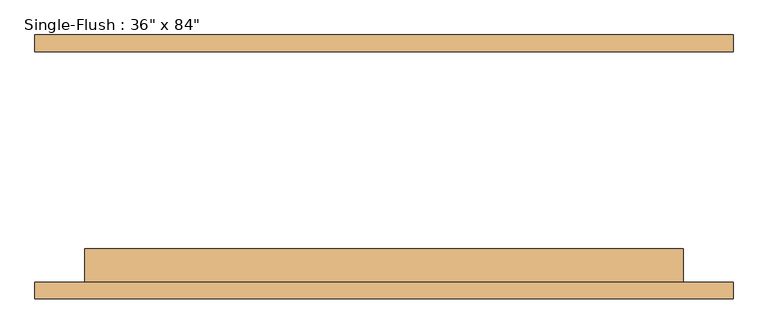
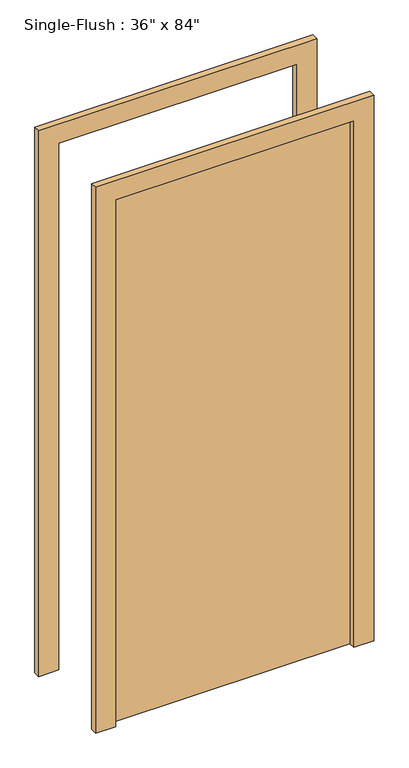
"""IFC4 building model written with IfcOpenShell, lengths in millimetres: door geometry."""

from ifc_helpers import new_model, si_unit, frame, origin, origin_with_axes, place, context, project, spatial, polyline, outline, extrude, source, transform, mapped, element, save


def door_cc5399a4(model_context):
    return source(origin(), model_context, "Body", "SweptSolid", [
        extrude(outline(polyline([(2209.8, -533.4), (0.0, -533.4), (0.0, -457.2), (2133.6, -457.2), (2133.6, 457.2), (0.0, 457.2), (0.0, 533.4), (2209.8, 533.4), (2209.8, -533.4)])), frame((0.0, -201.6125, 0.0), z_axis=(0.0, 1.0, 0.0), x_axis=(0.0, 0.0, 1.0)), (0.0, 0.0, 1.0), 25.4),
        extrude(outline(polyline([(2209.8, 533.4), (2209.8, -533.4), (0.0, -533.4), (0.0, -457.2), (2133.6, -457.2), (2133.6, 457.2), (0.0, 457.2), (0.0, 533.4), (2209.8, 533.4)])), frame((0.0, 176.2125, 0.0), z_axis=(0.0, 1.0, 0.0), x_axis=(0.0, 0.0, 1.0)), (0.0, 0.0, 1.0), 25.4),
        extrude(outline(polyline([(457.2, -125.4125), (457.2, -176.2125), (-457.2, -176.2125), (-457.2, -125.4125), (457.2, -125.4125)])), origin_with_axes(), (0.0, 0.0, 1.0), 2133.6),
    ])


if __name__ == "__main__":
    model = new_model("IFC4")
    model_context = context("Model", 3, world=origin())
    ifc_project = project(units=[si_unit("LENGTHUNIT", "METRE", prefix="MILLI")], contexts=[model_context])
    site = spatial("IfcSite", under=ifc_project)
    building = spatial("IfcBuilding", under=site)
    placement = place(None, origin())
    door_shape = door_cc5399a4(model_context)
    element("IfcDoor", 1, ObjectType="Single-Flush : 36\" x 84\"", at=placement, inside=building, context=model_context, shape_type="MappedRepresentation", body=[
        mapped(door_shape, transform((0.0, 0.0, 0.0), x_axis=(1.0, 0.0, 0.0), y_axis=(0.0, 1.0, 0.0), z_axis=(0.0, 0.0, 1.0))),
    ])
    save(model, "model.ifc")
